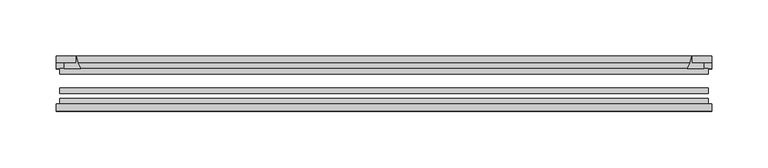
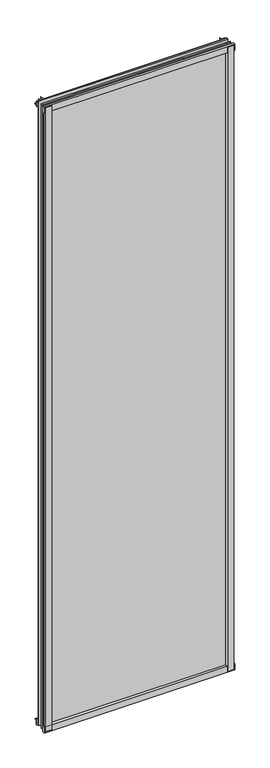
"""IFC4 building model written with IfcOpenShell, lengths in millimetres: plate geometry."""

import ifcopenshell
import ifcopenshell.guid

model = None  # the IFC model being written
_history = None  # IfcOwnerHistory: only IFC2X3 demands one
_inside = {}  # id of a spatial element -> (the spatial element, [elements in it])
_under = {}  # id of a project, library or spatial element -> (it, [spatial elements below it])
_declared = {}  # id of a project -> (the project, [libraries it declares])
_typed = {}  # id of a type object -> (the type object, [elements of that type])
_made_of = {}  # id of a material, layer set ... -> (it, [elements and type objects made of it])


def new_model(schema):
    """Start an empty IFC model of exactly this schema.

    Asked for "IFC4X3", IfcOpenShell would pick the latest addendum, in which some entities
    have other attributes; the version numbers below select the first issue.
    IFC2X3 requires an IfcOwnerHistory on every rooted entity: one is made here for all.
    """
    global model, _history
    if schema == "IFC4X3":
        model = ifcopenshell.file(schema_version=(4, 3, 0, 0))
    else:
        model = ifcopenshell.file(schema=schema)
    _inside.clear()
    _under.clear()
    _declared.clear()
    _typed.clear()
    _made_of.clear()
    _history = None
    if model.schema == "IFC2X3":
        org = make("IfcOrganization", Name="unknown")
        user = make(
            "IfcPersonAndOrganization",
            ThePerson=make("IfcPerson", FamilyName="unknown"),
            TheOrganization=org,
        )
        app = make(
            "IfcApplication",
            ApplicationDeveloper=org,
            Version="unknown",
            ApplicationFullName="unknown",
            ApplicationIdentifier="unknown",
        )
        _history = make(
            "IfcOwnerHistory",
            OwningUser=user,
            OwningApplication=app,
            ChangeAction="ADDED",
            CreationDate=0,
        )
    return model


def make(cls, **values):
    """One entity of the class cls with the attributes given. An attribute that is None is left unset."""
    return model.create_entity(
        cls, **{name: value for name, value in values.items() if value is not None}
    )


def rooted(cls, **values):
    """An entity with a GlobalId (a new one), such as an element, a storey or a relation."""
    return make(cls, GlobalId=ifcopenshell.guid.new(), OwnerHistory=_history, **values)


def si_unit(unit_type, name, prefix=None):
    """IfcSIUnit, for example si_unit("LENGTHUNIT", "METRE", prefix="MILLI")."""
    return make("IfcSIUnit", UnitType=unit_type, Prefix=prefix, Name=name)


def assignment(units):
    """IfcUnitAssignment: the units of a project."""
    return None if units is None else make("IfcUnitAssignment", Units=units)


def point(xyz):
    """IfcCartesianPoint."""
    return None if xyz is None else make("IfcCartesianPoint", Coordinates=xyz)


def direction(xyz):
    """IfcDirection."""
    return None if xyz is None else make("IfcDirection", DirectionRatios=xyz)


def frame(location, z_axis=None, x_axis=None):
    """IfcAxis2Placement3D, a coordinate frame: its origin and axes. An axis left out is left unset."""
    return make(
        "IfcAxis2Placement3D",
        Location=point(location),
        Axis=direction(z_axis),
        RefDirection=direction(x_axis),
    )


def frame_2d(location, x_axis=None):
    """IfcAxis2Placement2D, a coordinate frame in the plane: its origin and x axis."""
    return make(
        "IfcAxis2Placement2D", Location=point(location), RefDirection=direction(x_axis)
    )


def origin():
    """The frame at (0, 0, 0) with its axes left unset."""
    return frame((0.0, 0.0, 0.0))


def place(relative_to, where):
    """IfcLocalPlacement: puts the frame where relative to a parent placement (None: the world)."""
    return make(
        "IfcLocalPlacement", PlacementRelTo=relative_to, RelativePlacement=where
    )


def context(
    kind, dimensions, precision=None, world=None, true_north=None, identifier=None
):
    """IfcGeometricRepresentationContext, for example the 3D "Model" context."""
    return make(
        "IfcGeometricRepresentationContext",
        ContextIdentifier=identifier,
        ContextType=kind,
        CoordinateSpaceDimension=dimensions,
        Precision=precision,
        WorldCoordinateSystem=world,
        TrueNorth=true_north,
    )


def project(units=None, contexts=None):
    """IfcProject with its units and contexts."""
    return rooted(
        "IfcProject",
        Name="project",
        RepresentationContexts=contexts,
        UnitsInContext=assignment(units),
    )


def spatial(cls, under=None, at=None, **own):
    """A site, building, storey or space (cls), placed at a placement, below another one or the project."""
    s = rooted(cls, ObjectPlacement=at, **own)
    if under is not None:
        _under.setdefault(under.id(), (under, []))[1].append(s)
    return s


def polyline(points):
    """IfcPolyline through the points."""
    return make("IfcPolyline", Points=[point(p) for p in points])


def circle_curve(where, radius):
    """IfcCircle in the frame where."""
    return make("IfcCircle", Position=where, Radius=radius)


def trimmed(basis, trim1, trim2, sense, master):
    """IfcTrimmedCurve: the piece of a basis curve between two trims."""
    return make(
        "IfcTrimmedCurve",
        BasisCurve=basis,
        Trim1=trim1,
        Trim2=trim2,
        SenseAgreement=sense,
        MasterRepresentation=master,
    )


def segment(curve, same_sense, transition):
    """IfcCompositeCurveSegment."""
    return make(
        "IfcCompositeCurveSegment",
        Transition=transition,
        SameSense=same_sense,
        ParentCurve=curve,
    )


def composite_curve(segments, self_intersect=None):
    """IfcCompositeCurve: segments joined end to end."""
    return make("IfcCompositeCurve", Segments=segments, SelfIntersect=self_intersect)


def outline(outer, holes=None, kind="AREA"):
    """IfcArbitraryClosedProfileDef: a profile drawn as a closed curve; with holes, ...WithVoids."""
    if holes is None:
        return make("IfcArbitraryClosedProfileDef", ProfileType=kind, OuterCurve=outer)
    return make(
        "IfcArbitraryProfileDefWithVoids",
        ProfileType=kind,
        OuterCurve=outer,
        InnerCurves=holes,
    )


def extrude(swept, where, along, depth):
    """IfcExtrudedAreaSolid: the profile swept, set in the frame where, extruded along a direction by depth."""
    return make(
        "IfcExtrudedAreaSolid",
        SweptArea=swept,
        Position=where,
        ExtrudedDirection=direction(along),
        Depth=depth,
    )


def shape(context_of_items, identifier, shape_type, items):
    """IfcShapeRepresentation: the items that make up one representation, for example the "Body"."""
    return make(
        "IfcShapeRepresentation",
        ContextOfItems=context_of_items,
        RepresentationIdentifier=identifier,
        RepresentationType=shape_type,
        Items=items,
    )


def source(mapping_origin, context_of_items, identifier, shape_type, items):
    """IfcRepresentationMap: a shape defined once, which mapped items show again and again."""
    return make(
        "IfcRepresentationMap",
        MappingOrigin=mapping_origin,
        MappedRepresentation=shape(context_of_items, identifier, shape_type, items),
    )


def transform(
    local_origin,
    x_axis=None,
    y_axis=None,
    z_axis=None,
    scale=None,
    scale2=None,
    scale3=None,
    uniform=True,
):
    """IfcCartesianTransformationOperator3D, or its non-uniform kind. x_axis, y_axis, z_axis: its Axis1, 2, 3."""
    if uniform:
        return make(
            "IfcCartesianTransformationOperator3D",
            Axis1=direction(x_axis),
            Axis2=direction(y_axis),
            LocalOrigin=point(local_origin),
            Scale=scale,
            Axis3=direction(z_axis),
        )
    return make(
        "IfcCartesianTransformationOperator3DnonUniform",
        Axis1=direction(x_axis),
        Axis2=direction(y_axis),
        LocalOrigin=point(local_origin),
        Scale=scale,
        Axis3=direction(z_axis),
        Scale2=scale2,
        Scale3=scale3,
    )


def mapped(mapping_source, mapping_target):
    """IfcMappedItem: shows the shape of a source again, moved by a transform."""
    return make(
        "IfcMappedItem", MappingSource=mapping_source, MappingTarget=mapping_target
    )


def made_of(thing, what):
    """Note that an element or type object is made of a material, layer set ...; save() writes the relation."""
    if what is not None:
        _made_of.setdefault(what.id(), (what, []))[1].append(thing)
    return thing


def element(
    cls,
    number,
    at=None,
    inside=None,
    cuts=None,
    type_object=None,
    material=None,
    context=None,
    identifier="Body",
    shape_type=None,
    held_by="IfcProductDefinitionShape",
    body=None,
    shapes=None,
    **own,
):
    """One element of the class cls, such as IfcWall. Its Tag is "e" and its number.

    at: its placement. inside: the storey or other place that contains it. cuts: it is an
    opening in that element (IfcRelVoidsElement). A single representation is given by context,
    identifier, shape_type and body (its items); several are given by shapes. held_by: the class
    of the entity that holds the representations. save() writes the other relations.
    """
    e = rooted(cls, Tag="e%d" % number, ObjectPlacement=at, **own)
    if body is not None:
        shapes = [shape(context, identifier, shape_type, body)]
    if shapes is not None:
        e.Representation = make(held_by, Representations=shapes)
    if inside is not None:
        _inside.setdefault(inside.id(), (inside, []))[1].append(e)
    if cuts is not None:
        rooted(
            "IfcRelVoidsElement", RelatingBuildingElement=cuts, RelatedOpeningElement=e
        )
    if type_object is not None:
        _typed.setdefault(type_object.id(), (type_object, []))[1].append(e)
    return made_of(e, material)


def aggregate(whole, parts):
    """IfcRelAggregates: a whole, such as a stair, and the parts it consists of."""
    return rooted("IfcRelAggregates", RelatingObject=whole, RelatedObjects=parts)


def save(model, path):
    """Write the relations noted so far, then the file.

    IfcRelAggregates (storeys below a building ...), IfcRelContainedInSpatialStructure (elements
    in a storey), IfcRelDefinesByType, IfcRelAssociatesMaterial and IfcRelDeclares: one each for
    every whole, place, type object, material and project.
    """
    for whole, parts in _under.values():
        aggregate(whole, parts)
    for where, things in _inside.values():
        rooted(
            "IfcRelContainedInSpatialStructure",
            RelatedElements=things,
            RelatingStructure=where,
        )
    for kind, things in _typed.values():
        rooted("IfcRelDefinesByType", RelatedObjects=things, RelatingType=kind)
    for what, things in _made_of.values():
        rooted("IfcRelAssociatesMaterial", RelatedObjects=things, RelatingMaterial=what)
    for by, libraries in _declared.values():
        rooted("IfcRelDeclares", RelatingContext=by, RelatedDefinitions=libraries)
    model.write(path)


def plate_f29c321b(model_context):
    return source(origin(), model_context, "Body", "SweptSolid", [
        extrude(outline(composite_curve([segment(polyline([(-287.3375, -78.7828625), (-265.9162987, -78.7828625)]), True, "CONTINUOUS"), segment(trimmed(circle_curve(frame_2d((-258.2791331, -84.652782)), 9.6323545), [point((-265.9162987, -78.7828625))], [point((-267.8995165, -85.1328625))], True, "CARTESIAN"), True, "CONTINUOUS"), segment(polyline([(-267.8995165, -85.1328625), (-287.3375, -85.1328625), (-287.3375, -78.7828625)]), True, "CONTINUOUS")], self_intersect=False)), frame((0.0, 0.0, -14.2875), z_axis=(0.0, 0.0, 1.0), x_axis=(1.0, 0.0, 0.0)), (0.0, 0.0, 1.0), 2009.775),
        extrude(outline(composite_curve([segment(polyline([(287.3794065, -78.7828625), (287.3794065, -85.1328625), (267.8995165, -85.1328625)]), True, "CONTINUOUS"), segment(trimmed(circle_curve(frame_2d((258.2791331, -84.652782)), 9.6323545), [point((267.8995165, -85.1328625))], [point((265.9162987, -78.7828625))], True, "CARTESIAN"), True, "CONTINUOUS"), segment(polyline([(265.9162987, -78.7828625), (287.3794065, -78.7828625)]), True, "CONTINUOUS")], self_intersect=False)), frame((0.0, 0.0, -14.2875), z_axis=(0.0, 0.0, 1.0), x_axis=(1.0, 0.0, 0.0)), (0.0, 0.0, 1.0), 2009.775),
        extrude(outline(composite_curve([segment(polyline([(-47.1852625, -14.2875), (-47.1852625, 3.9588469)]), True, "CONTINUOUS"), segment(trimmed(circle_curve(frame_2d((-30.6824422, 32.267054)), 32.7673262), [point((-47.1852625, 3.9588469))], [point((-36.3503395, -0.00635))], True, "CARTESIAN"), True, "CONTINUOUS"), segment(polyline([(-36.3503395, -0.00635), (-42.2830625, -0.00635), (-42.2830625, -14.2875), (-47.1852625, -14.2875)]), True, "CONTINUOUS")], self_intersect=False)), frame((-290.5125, 0.0, 0.0), z_axis=(1.0, 0.0, 0.0), x_axis=(0.0, 1.0, 0.0)), (0.0, 0.0, 1.0), 581.025),
        extrude(outline(composite_curve([segment(polyline([(-78.7828625, -16.8821065), (-85.1328625, -16.8821065), (-85.1328625, 2.5977835)]), True, "CONTINUOUS"), segment(trimmed(circle_curve(frame_2d((-84.652782, 12.2181669)), 9.6323545), [point((-85.1328625, 2.5977835))], [point((-78.7828625, 4.5810013))], True, "CARTESIAN"), True, "CONTINUOUS"), segment(polyline([(-78.7828625, 4.5810013), (-78.7828625, -16.8821065)]), True, "CONTINUOUS")], self_intersect=False)), frame((-290.5125, 0.0, 0.0), z_axis=(1.0, 0.0, 0.0), x_axis=(0.0, 1.0, 0.0)), (0.0, 0.0, 1.0), 581.025),
        extrude(outline(composite_curve([segment(polyline([(-47.1852625, 1977.2284531), (-47.1852625, 1991.9002564), (-42.2830625, 1991.9002564), (-42.2830625, 1981.2), (-36.3140625, 1981.2)]), True, "CONTINUOUS"), segment(trimmed(circle_curve(frame_2d((-30.6824422, 1948.920246)), 32.7673262), [point((-36.3140625, 1981.2))], [point((-47.1852625, 1977.2284531))], True, "CARTESIAN"), True, "CONTINUOUS")], self_intersect=False)), frame((-290.5125, 0.0, 0.0), z_axis=(1.0, 0.0, 0.0), x_axis=(0.0, 1.0, 0.0)), (0.0, 0.0, 1.0), 581.025),
        extrude(outline(composite_curve([segment(polyline([(-78.7828625, 1998.0694065), (-78.7828625, 1976.6062987)]), True, "CONTINUOUS"), segment(trimmed(circle_curve(frame_2d((-84.652782, 1968.9691331)), 9.6323545), [point((-78.7828625, 1976.6062987))], [point((-85.1328625, 1978.5895165))], True, "CARTESIAN"), True, "CONTINUOUS"), segment(polyline([(-85.1328625, 1978.5895165), (-85.1328625, 1998.0694065), (-78.7828625, 1998.0694065)]), True, "CONTINUOUS")], self_intersect=False)), frame((-290.5125, 0.0, 0.0), z_axis=(1.0, 0.0, 0.0), x_axis=(0.0, 1.0, 0.0)), (0.0, 0.0, 1.0), 581.025),
        extrude(outline(composite_curve([segment(trimmed(circle_curve(frame_2d((240.770246, -30.6824422)), 32.7673262), [point((269.0784531, -47.1852625))], [point((273.05, -36.3140625))], True, "CARTESIAN"), True, "CONTINUOUS"), segment(polyline([(273.05, -36.3140625), (273.05, -42.2830625), (283.7503653, -42.2830625), (283.7503653, -47.1852625), (269.0784531, -47.1852625)]), True, "CONTINUOUS")], self_intersect=False)), frame((0.0, 0.0, -14.2875), z_axis=(0.0, 0.0, 1.0), x_axis=(1.0, 0.0, 0.0)), (0.0, 0.0, 1.0), 2009.775),
        extrude(outline(composite_curve([segment(polyline([(-269.0784531, -47.1852625), (-283.7452092, -47.1852625), (-283.7452092, -42.2830625), (-273.05, -42.2830625), (-273.05, -36.3140625)]), True, "CONTINUOUS"), segment(trimmed(circle_curve(frame_2d((-240.770246, -30.6824422)), 32.7673262), [point((-273.05, -36.3140625))], [point((-269.0784531, -47.1852625))], True, "CARTESIAN"), True, "CONTINUOUS")], self_intersect=False)), frame((0.0, 0.0, -14.2875), z_axis=(0.0, 0.0, 1.0), x_axis=(1.0, 0.0, 0.0)), (0.0, 0.0, 1.0), 2009.775),
        extrude(outline(polyline([(287.3375, -64.6604625), (287.3375, -69.4356625), (-287.3375, -69.4356625), (-287.3375, -64.6604625), (287.3375, -64.6604625)])), frame((0.0, 0.0, -14.2875), z_axis=(0.0, 0.0, 1.0), x_axis=(1.0, 0.0, 0.0)), (0.0, 0.0, 1.0), 2009.775),
        extrude(outline(polyline([(-287.3375, -78.7828625), (-287.3375, -74.0076625), (287.3375, -74.0076625), (287.3375, -78.7828625), (-287.3375, -78.7828625)])), frame((0.0, 0.0, -14.2875), z_axis=(0.0, 0.0, 1.0), x_axis=(1.0, 0.0, 0.0)), (0.0, 0.0, 1.0), 2009.775),
        extrude(outline(polyline([(-287.3375, -47.1852625), (287.3375, -47.1852625), (287.3375, -51.9604625), (-287.3375, -51.9604625), (-287.3375, -47.1852625)])), frame((0.0, 0.0, -14.2875), z_axis=(0.0, 0.0, 1.0), x_axis=(1.0, 0.0, 0.0)), (0.0, 0.0, 1.0), 2009.775),
    ])


if __name__ == "__main__":
    model = new_model("IFC4")
    model_context = context("Model", 3, world=origin())
    ifc_project = project(units=[si_unit("LENGTHUNIT", "METRE", prefix="MILLI")], contexts=[model_context])
    site = spatial("IfcSite", under=ifc_project)
    building = spatial("IfcBuilding", under=site)
    placement = place(None, origin())
    plate_shape = plate_f29c321b(model_context)
    element("IfcPlate", 1, at=placement, inside=building, context=model_context, shape_type="MappedRepresentation", body=[
        mapped(plate_shape, transform((0.0, 0.0, 0.0), x_axis=(1.0, 0.0, 0.0), y_axis=(0.0, 1.0, 0.0), z_axis=(0.0, 0.0, 1.0))),
    ])
    save(model, "model.ifc")
